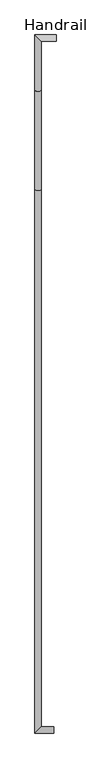
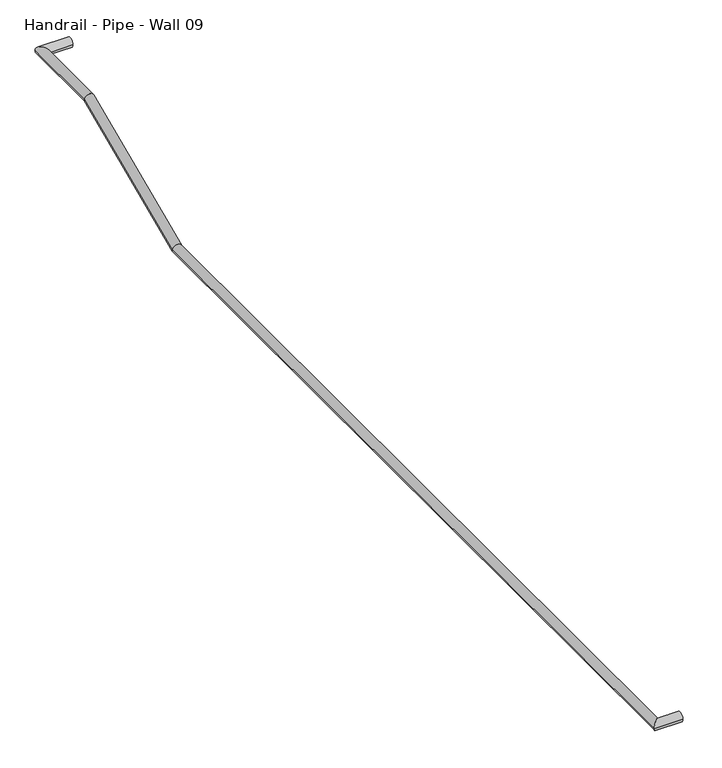
"""IFC4 building model written with IfcOpenShell, lengths in millimetres: railing geometry, Handrail - Pipe - Wall 09."""

from ifc_helpers import new_model, si_unit, frame, origin, place, context, project, spatial, circle_curve, ellipse_curve, source, transform, mapped, element, save
from ifc_brep_helpers import plane_surface, cylinder_surface, advanced_brep


def handrail_pipe_wall_09_feadcd1e(model_context):
    return source(origin(), model_context, "Body", "AdvancedBrep", [
        advanced_brep(
        [(-17880.1583883, 34516.0424125, -10064.75), (-17880.1583883, 34554.1424125, -10064.75), (-17972.2333883, 34516.0424125, -10064.75), (-18010.3333883, 34554.1424125, -10064.75), (-17972.2333883, 34212.5985201, -10064.75), (-18010.3333883, 34212.5985201, -10064.75), (-17896.0333883, 30301.2299125, -10331.45), (-17896.0333883, 30263.1299125, -10331.45), (-18010.3333883, 30263.1299125, -10331.45), (-17972.2333883, 30301.2299125, -10331.45), (-17972.2333883, 33602.9985201, -10331.45), (-18010.3333883, 33602.9985201, -10331.45)],
        [
            (0, 1, circle_curve(frame((-17880.1583883, 34535.0924125, -10064.75), z_axis=(1.0, 0.0, 0.0), x_axis=(0.0, 1.0, 0.0)), 19.05)),
            (1, 0, circle_curve(frame((-17880.1583883, 34535.0924125, -10064.75), z_axis=(1.0, 0.0, 0.0), x_axis=(0.0, 1.0, 0.0)), 19.05)),
            (0, 2),
            (2, 3, ellipse_curve(frame((-17991.2833883, 34535.0924125, -10064.75), z_axis=(0.7071067811865475, 0.7071067811865475, 0.0), x_axis=(0.7071067811865476, -0.7071067811865474, 0.0)), 26.9407684, 19.05)),
            (3, 1),
            (3, 2, ellipse_curve(frame((-17991.2833883, 34535.0924125, -10064.75), z_axis=(0.7071067811865475, 0.7071067811865475, 0.0), x_axis=(0.7071067811865476, -0.7071067811865474, 0.0)), 26.9407684, 19.05)),
            (2, 4),
            (4, 5, ellipse_curve(frame((-17991.2833883, 34212.5985201, -10064.75), z_axis=(0.0, 0.9788149301329105, 0.20474699643439326), x_axis=(0.0, 0.204746996434393, -0.9788149301329105)), 19.4623104, 19.05)),
            (5, 3),
            (5, 4, ellipse_curve(frame((-17991.2833883, 34212.5985201, -10064.75), z_axis=(0.0, 0.9788149301329105, 0.20474699643439326), x_axis=(0.0, 0.204746996434393, -0.9788149301329105)), 19.4623104, 19.05)),
            (6, 7, circle_curve(frame((-17896.0333883, 30282.1799125, -10331.45), z_axis=(1.0, 0.0, 0.0), x_axis=(0.0, -1.0, 0.0)), 19.05)),
            (7, 6, circle_curve(frame((-17896.0333883, 30282.1799125, -10331.45), z_axis=(1.0, 0.0, 0.0), x_axis=(0.0, -1.0, 0.0)), 19.05)),
            (8, 9, ellipse_curve(frame((-17991.2833883, 30282.1799125, -10331.45), z_axis=(0.7071067811865471, -0.707106781186548, 0.0), x_axis=(-0.7071067811865478, -0.7071067811865471, 0.0)), 26.9407684, 19.05)),
            (9, 6),
            (7, 8),
            (9, 8, ellipse_curve(frame((-17991.2833883, 30282.1799125, -10331.45), z_axis=(0.7071067811865471, -0.707106781186548, 0.0), x_axis=(-0.7071067811865478, -0.7071067811865471, 0.0)), 26.9407684, 19.05)),
            (4, 10),
            (10, 11, ellipse_curve(frame((-17991.2833883, 33602.9985201, -10331.45), z_axis=(0.0, 0.9788149301329105, 0.20474699643439329), x_axis=(0.0, -0.20474699643439356, 0.9788149301329104)), 19.4623104, 19.05)),
            (11, 5),
            (11, 10, ellipse_curve(frame((-17991.2833883, 33602.9985201, -10331.45), z_axis=(0.0, 0.9788149301329105, 0.20474699643439329), x_axis=(0.0, -0.20474699643439356, 0.9788149301329104)), 19.4623104, 19.05)),
            (10, 9),
            (8, 11),
        ],
        [
            plane_surface(frame((-17880.1583883, 34535.0924125, -10045.7), z_axis=(1.0, 0.0, 0.0), x_axis=(0.0, -1.0, 0.0))),
            cylinder_surface(frame((-17880.1583883, 34535.0924125, -10064.75), z_axis=(1.0, 0.0, 0.0), x_axis=(0.0, 1.0, 0.0)), 19.05),
            cylinder_surface(frame((-17991.2833883, 34535.0924125, -10064.75), z_axis=(0.0, 1.0, 0.0), x_axis=(-1.0, 0.0, 0.0)), 19.05),
            plane_surface(frame((-17896.0333883, 30282.1799125, -10312.4), z_axis=(1.0, 0.0, 0.0), x_axis=(0.0, 1.0, 0.0))),
            cylinder_surface(frame((-17991.2833883, 30282.1799125, -10331.45), z_axis=(-1.0, 0.0, 0.0), x_axis=(0.0, -1.0, 0.0)), 19.05),
            cylinder_surface(frame((-17991.2833883, 34216.2492693, -10063.1527972), z_axis=(0.0, 0.9161573349021892, 0.40081883401970786), x_axis=(-1.0, 0.0, 0.0)), 19.05),
            cylinder_surface(frame((-17991.2833883, 33599.0136705, -10331.45), z_axis=(0.0, 1.0, 0.0), x_axis=(-1.0, 0.0, 0.0)), 19.05),
        ],
        [
            (0, [[1, 2]]),
            (1, [[-1, 3, 4, 5]]),
            (1, [[-2, -5, 6, -3]]),
            (2, [[-4, 7, 8, 9]]),
            (2, [[-6, -9, 10, -7]]),
            (3, [[11, 12]]),
            (4, [[13, 14, -12, 15]]),
            (4, [[16, -15, -11, -14]]),
            (5, [[-8, 17, 18, 19]]),
            (5, [[-10, -19, 20, -17]]),
            (6, [[-18, 21, -13, 22]]),
            (6, [[-20, -22, -16, -21]]),
        ],
    ),
    ])


if __name__ == "__main__":
    model = new_model("IFC4")
    model_context = context("Model", 3, world=origin())
    ifc_project = project(units=[si_unit("LENGTHUNIT", "METRE", prefix="MILLI")], contexts=[model_context])
    site = spatial("IfcSite", under=ifc_project)
    building = spatial("IfcBuilding", under=site)
    placement = place(None, origin())
    handrail_pipe_wall_09_shape = handrail_pipe_wall_09_feadcd1e(model_context)
    element("IfcRailing", 1, ObjectType="Handrail - Pipe - Wall 09", at=placement, inside=building, context=model_context, shape_type="MappedRepresentation", body=[
        mapped(handrail_pipe_wall_09_shape, transform((0.0, 0.0, 0.0), x_axis=(1.0, 0.0, 0.0), y_axis=(0.0, 1.0, 0.0), z_axis=(0.0, 0.0, 1.0))),
    ])
    save(model, "model.ifc")
